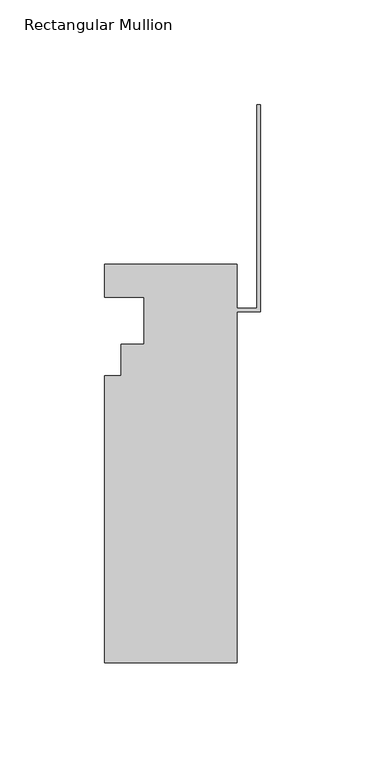
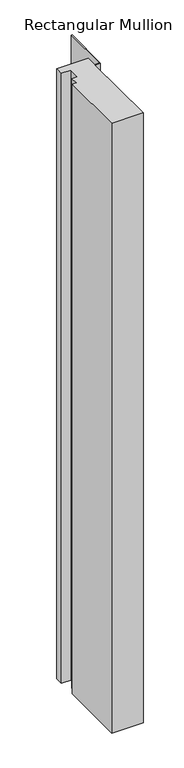
"""IFC4 building model written with IfcOpenShell, lengths in millimetres: member geometry, Rectangular Mullion."""

from ifc_helpers import new_model, si_unit, frame, origin, place, context, project, spatial, polyline, outline, extrude, source, transform, mapped, element, save


def rectangular_mullion_688bda8f(model_context):
    return source(origin(), model_context, "Body", "SweptSolid", [
        extrude(outline(polyline([(-11.113262, -190.4007812), (-74.613262, -190.4007812), (-74.613262, -53.0629812), (-66.688462, -53.0629812), (-66.688462, -38.0007813), (-55.563262, -38.0007812), (-55.563262, -15.5217812), (-74.613262, -15.5217812), (-74.613262, 0.3532188), (-11.113262, 0.3532188), (-11.113262, -20.9065812), (-1.5748, -20.9065812), (-1.5748, 76.5843863), (0.0, 76.5843863), (0.0, -22.4813812), (-11.113262, -22.4813812), (-11.113262, -190.4007812)])), frame((0.0, 0.0, -1295.4), z_axis=(0.0, 0.0, 1.0), x_axis=(1.0, 0.0, 0.0)), (0.0, 0.0, 1.0), 1295.4),
    ])


if __name__ == "__main__":
    model = new_model("IFC4")
    model_context = context("Model", 3, world=origin())
    ifc_project = project(units=[si_unit("LENGTHUNIT", "METRE", prefix="MILLI")], contexts=[model_context])
    site = spatial("IfcSite", under=ifc_project)
    building = spatial("IfcBuilding", under=site)
    placement = place(None, origin())
    rectangular_mullion_shape = rectangular_mullion_688bda8f(model_context)
    element("IfcMember", 1, ObjectType="Rectangular Mullion", at=placement, inside=building, context=model_context, shape_type="MappedRepresentation", body=[
        mapped(rectangular_mullion_shape, transform((0.0, 0.0, 0.0), x_axis=(1.0, 0.0, 0.0), y_axis=(0.0, 1.0, 0.0), z_axis=(0.0, 0.0, 1.0))),
    ])
    save(model, "model.ifc")
